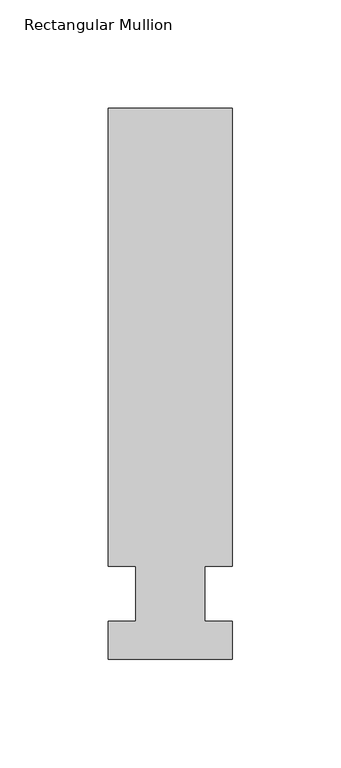
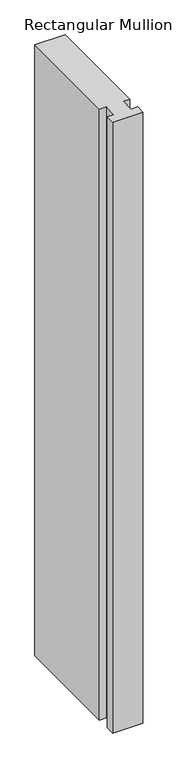
"""IFC4 building model written with IfcOpenShell, lengths in millimetres: member geometry, Rectangular Mullion."""

from ifc_helpers import new_model, si_unit, frame, origin, place, context, project, spatial, polyline, outline, extrude, source, transform, mapped, element, save


def rectangular_mullion_b9e27865(model_context):
    return source(origin(), model_context, "Body", "SweptSolid", [
        extrude(outline(polyline([(28.575, 223.8375), (28.575, 12.7), (15.8732296, 12.7), (15.8732296, -12.7), (28.575, -12.7), (28.575, -30.1625), (-28.575, -30.1625), (-28.575, -12.7), (-15.875, -12.7), (-15.875, 12.7), (-28.575, 12.7), (-28.575, 223.8375), (28.575, 223.8375)])), frame((0.0, 0.0, -1219.2), z_axis=(0.0, 0.0, 1.0), x_axis=(1.0, 0.0, 0.0)), (0.0, 0.0, 1.0), 1219.2),
    ])


if __name__ == "__main__":
    model = new_model("IFC4")
    model_context = context("Model", 3, world=origin())
    ifc_project = project(units=[si_unit("LENGTHUNIT", "METRE", prefix="MILLI")], contexts=[model_context])
    site = spatial("IfcSite", under=ifc_project)
    building = spatial("IfcBuilding", under=site)
    placement = place(None, origin())
    rectangular_mullion_shape = rectangular_mullion_b9e27865(model_context)
    element("IfcMember", 1, ObjectType="Rectangular Mullion", at=placement, inside=building, context=model_context, shape_type="MappedRepresentation", body=[
        mapped(rectangular_mullion_shape, transform((0.0, 0.0, 0.0), x_axis=(1.0, 0.0, 0.0), y_axis=(0.0, 1.0, 0.0), z_axis=(0.0, 0.0, 1.0))),
    ])
    save(model, "model.ifc")
